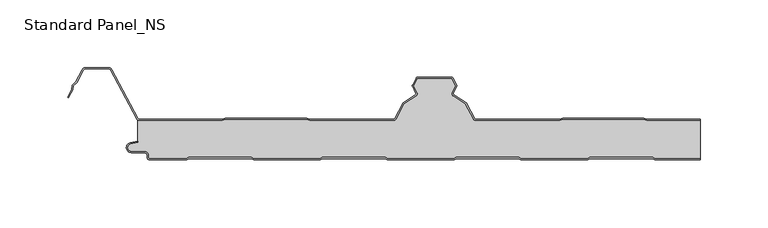
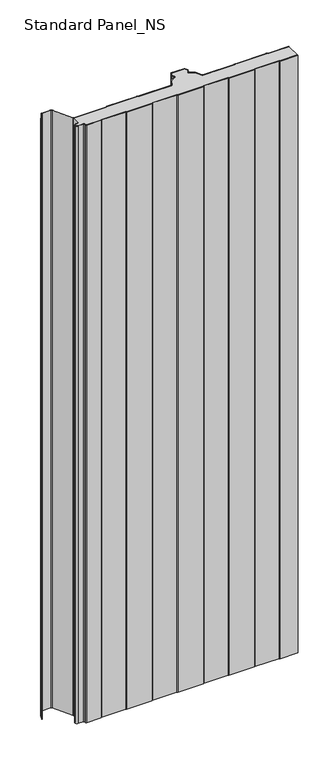
"""IFC4 building model written with IfcOpenShell, lengths in millimetres: proxy geometry, Standard Panel_NS."""

from ifc_helpers import new_model, si_unit, point, frame_2d, origin, origin_with_axes, place, context, project, spatial, polyline, circle_curve, trimmed, segment, composite_curve, outline, extrude, source, transform, mapped, element, save


def standard_panel_ns_0cbf2c68(model_context):
    return source(origin(), model_context, "Body", "SweptSolid", [
        extrude(outline(composite_curve([segment(polyline([(189.9831604, 0.0), (188.2086589, 1.0), (142.2089551, 1.0), (140.4769043, 0.0), (90.9831604, 0.0), (89.2086589, 1.0), (43.2089551, 1.0), (41.4769043, 0.0), (-8.0230957, 0.0), (-9.7551465, 1.0), (-55.7910449, 1.0), (-57.5230957, -0.013703), (-107.0168396, -0.013703), (-108.7913411, 0.986297), (-154.7910449, 0.986297), (-156.5230957, -0.013703), (-183.7507504, -0.013703)]), True, "CONTINUOUS"), segment(trimmed(circle_curve(frame_2d((-183.7507504, 2.036297)), 2.05), [point((-183.7507504, -0.013703))], [point((-185.8007504, 2.036297))], False, "CARTESIAN"), True, "CONTINUOUS"), segment(polyline([(-185.8007504, 2.036297), (-185.8007504, 3.436297)]), True, "CONTINUOUS"), segment(trimmed(circle_curve(frame_2d((-187.7507504, 3.436297)), 1.95), [point((-185.8007504, 3.436297))], [point((-187.7507504, 5.386297))], True, "CARTESIAN"), True, "CONTINUOUS"), segment(polyline([(-187.7507504, 5.386297), (-197.5507504, 5.386297)]), True, "CONTINUOUS"), segment(trimmed(circle_curve(frame_2d((-197.5507504, 9.036297)), 3.65), [point((-197.5507504, 5.386297))], [point((-198.3718217, 12.5927478))], False, "CARTESIAN"), True, "CONTINUOUS"), segment(polyline([(-198.3718217, 12.5927478), (-192.9286061, 13.8494131), (-192.7486452, 13.0699171), (-198.1918609, 11.8132517)]), True, "CONTINUOUS"), segment(trimmed(circle_curve(frame_2d((-197.5507504, 9.036297)), 2.85), [point((-198.1918609, 11.8132517))], [point((-197.5507504, 6.186297))], True, "CARTESIAN"), True, "CONTINUOUS"), segment(polyline([(-197.5507504, 6.186297), (-187.7507504, 6.186297)]), True, "CONTINUOUS"), segment(trimmed(circle_curve(frame_2d((-187.7507504, 3.436297)), 2.75), [point((-187.7507504, 6.186297))], [point((-185.0007504, 3.436297))], False, "CARTESIAN"), True, "CONTINUOUS"), segment(polyline([(-185.0007504, 3.436297), (-185.0007504, 2.036297)]), True, "CONTINUOUS"), segment(trimmed(circle_curve(frame_2d((-183.7507504, 2.036297)), 1.25), [point((-185.0007504, 2.036297))], [point((-183.7507504, 0.786297))], True, "CARTESIAN"), True, "CONTINUOUS"), segment(polyline([(-183.7507504, 0.786297), (-156.737455, 0.786297), (-155.0054042, 1.786297), (-108.5814431, 1.786297), (-106.8069416, 0.786297), (-57.737455, 0.786297), (-56.0054042, 1.8), (-9.5407871, 1.8), (-7.8087363, 0.8), (41.262545, 0.8), (42.9945958, 1.8), (89.4185569, 1.8), (91.1930584, 0.8), (140.262545, 0.8), (141.9945958, 1.8), (188.4185569, 1.8), (190.1930584, 0.8), (223.9042607, 0.8), (223.9042607, 0.0), (189.9831604, 0.0)]), True, "CONTINUOUS")], self_intersect=False)), origin_with_axes(), (0.0, 0.0, 1.0), 1219.2),
        extrude(outline(composite_curve([segment(polyline([(-191.3607504, 30.0), (-130.2226037, 30.0), (-127.8409703, 30.9683897), (-67.7367801, 30.9683897), (-65.3551468, 30.0), (-3.3730141, 30.0)]), True, "CONTINUOUS"), segment(trimmed(circle_curve(frame_2d((-3.3750906, 30.9999978)), 1.0), [point((-3.3730141, 30.0))], [point((-2.4921477, 30.5305175))], True, "CARTESIAN"), True, "CONTINUOUS"), segment(polyline([(-2.4921477, 30.5305175), (3.7317189, 42.2356263), (12.8940779, 48.0365524)]), True, "CONTINUOUS"), segment(trimmed(circle_curve(frame_2d((12.3591509, 48.8814507)), 1.0), [point((12.8940779, 48.0365524))], [point((13.2530523, 49.3297144))], True, "CARTESIAN"), True, "CONTINUOUS"), segment(polyline([(13.2530523, 49.3297144), (10.7022883, 54.4163001)]), True, "CONTINUOUS"), segment(trimmed(circle_curve(frame_2d((11.5961897, 54.8645637)), 1.0), [point((10.7022883, 54.4163001))], [point((10.7132468, 55.3340441))], False, "CARTESIAN"), True, "CONTINUOUS"), segment(polyline([(10.7132468, 55.3340441), (13.4449029, 60.4714183)]), True, "CONTINUOUS"), segment(trimmed(circle_curve(frame_2d((14.7693172, 59.7671978)), 1.5), [point((13.4449029, 60.4714183))], [point((14.7964212, 61.2669529))], False, "CARTESIAN"), True, "CONTINUOUS"), segment(polyline([(14.7964212, 61.2669529), (39.4219504, 61.2669529)]), True, "CONTINUOUS"), segment(trimmed(circle_curve(frame_2d((39.4219504, 59.7669529)), 1.5), [point((39.4219504, 61.2669529))], [point((40.7463788, 60.4711471))], False, "CARTESIAN"), True, "CONTINUOUS"), segment(polyline([(40.7463788, 60.4711471), (43.4835237, 55.3232034)]), True, "CONTINUOUS"), segment(trimmed(circle_curve(frame_2d((42.6005714, 54.8537406)), 1.0), [point((43.4835237, 55.3232034))], [point((43.4944639, 54.4054592))], False, "CARTESIAN"), True, "CONTINUOUS"), segment(polyline([(43.4944639, 54.4054592), (40.9489617, 49.329618)]), True, "CONTINUOUS"), segment(trimmed(circle_curve(frame_2d((41.8428542, 48.8813366)), 1.0), [point((40.9489617, 49.329618))], [point((41.3079104, 48.0364489))], True, "CARTESIAN"), True, "CONTINUOUS"), segment(polyline([(41.3079104, 48.0364489), (50.4534972, 42.2458871), (56.6825853, 30.5303966)]), True, "CONTINUOUS"), segment(trimmed(circle_curve(frame_2d((57.5653038, 30.9997352)), 0.9997353), [point((56.6825853, 30.5303966))], [point((57.5653038, 29.9999999))], True, "CARTESIAN"), True, "CONTINUOUS"), segment(polyline([(57.5653038, 29.9999999), (119.546444, 29.9999999), (121.9280844, 30.9683897), (182.032274, 30.9683897), (184.4139138, 30.0), (223.9042607, 30.0), (223.9042607, 29.2), (184.2574895, 29.2), (181.8758496, 30.1683897), (122.0845088, 30.1683897), (119.7028683, 29.2), (57.5653038, 29.2)]), True, "CONTINUOUS"), segment(trimmed(circle_curve(frame_2d((57.5653038, 30.9997352)), 1.7997352), [point((57.5653038, 29.2))], [point((55.9762236, 30.1548264))], False, "CARTESIAN"), True, "CONTINUOUS"), segment(polyline([(55.9762236, 30.1548264), (49.8465774, 41.6832892), (40.8799555, 47.3605387)]), True, "CONTINUOUS"), segment(trimmed(circle_curve(frame_2d((41.8428542, 48.8813366)), 1.8), [point((40.8799555, 47.3605387))], [point((40.2338477, 49.6882431))], False, "CARTESIAN"), True, "CONTINUOUS"), segment(polyline([(40.2338477, 49.6882431), (42.8256576, 54.8564238), (39.8425575, 60.4669529), (14.3485893, 60.4669529), (11.3711036, 54.8672514), (13.9681734, 49.6883253)]), True, "CONTINUOUS"), segment(trimmed(circle_curve(frame_2d((12.3591509, 48.8814507)), 1.8), [point((13.9681734, 49.6883253))], [point((13.3220194, 47.3606338))], False, "CARTESIAN"), True, "CONTINUOUS"), segment(polyline([(13.3220194, 47.3606338), (4.3386275, 41.6730163), (-1.7857934, 30.1549332)]), True, "CONTINUOUS"), segment(trimmed(circle_curve(frame_2d((-3.3750906, 30.9999978)), 1.8), [point((-1.7857934, 30.1549332))], [point((-3.3723047, 29.2))], False, "CARTESIAN"), True, "CONTINUOUS"), segment(polyline([(-3.3723047, 29.2), (-65.5115715, 29.2), (-67.8932049, 30.1683897), (-127.6845456, 30.1683897), (-130.0661789, 29.2), (-191.3607504, 29.2)]), True, "CONTINUOUS"), segment(trimmed(circle_curve(frame_2d((-191.3607504, 31.75)), 2.55), [point((-191.3607504, 29.2))], [point((-193.6122667, 30.5528475))], False, "CARTESIAN"), True, "CONTINUOUS"), segment(polyline([(-193.6122667, 30.5528475), (-212.7155013, 66.4808064)]), True, "CONTINUOUS"), segment(trimmed(circle_curve(frame_2d((-214.5255439, 65.5183897)), 2.05), [point((-212.7155013, 66.4808064))], [point((-214.5255439, 67.5683897))], True, "CARTESIAN"), True, "CONTINUOUS"), segment(polyline([(-214.5255439, 67.5683897), (-231.2663514, 67.5683897)]), True, "CONTINUOUS"), segment(trimmed(circle_curve(frame_2d((-231.2663514, 65.5183897)), 2.05), [point((-231.2663514, 67.5683897))], [point((-233.076394, 66.4808064))], True, "CARTESIAN"), True, "CONTINUOUS"), segment(polyline([(-233.076394, 66.4808064), (-238.0216911, 57.1800551), (-240.3428004, 54.9723908), (-240.9163332, 51.7360251), (-244.0441824, 45.8533964), (-244.7505404, 46.2289737), (-241.6820111, 52.000038), (-241.084649, 55.3708693), (-238.6671014, 57.6702585), (-233.782752, 66.8563836)]), True, "CONTINUOUS"), segment(trimmed(circle_curve(frame_2d((-231.2663514, 65.5183897)), 2.85), [point((-233.782752, 66.8563836))], [point((-231.2663514, 68.3683897))], False, "CARTESIAN"), True, "CONTINUOUS"), segment(polyline([(-231.2663514, 68.3683897), (-214.5255439, 68.3683897)]), True, "CONTINUOUS"), segment(trimmed(circle_curve(frame_2d((-214.5255439, 65.5183897)), 2.85), [point((-214.5255439, 68.3683897))], [point((-212.0091432, 66.8563836))], False, "CARTESIAN"), True, "CONTINUOUS"), segment(polyline([(-212.0091432, 66.8563836), (-192.9059087, 30.9284248)]), True, "CONTINUOUS"), segment(trimmed(circle_curve(frame_2d((-191.3607504, 31.75)), 1.75), [point((-192.9059087, 30.9284248))], [point((-191.3607504, 30.0))], True, "CARTESIAN"), True, "CONTINUOUS")], self_intersect=False)), origin_with_axes(), (0.0, 0.0, 1.0), 1219.2),
        extrude(outline(composite_curve([segment(polyline([(-191.3607504, 29.2), (-130.0661789, 29.2), (-127.6845456, 30.1683897), (-67.8932049, 30.1683897), (-65.5115715, 29.2), (-3.3723047, 29.2)]), True, "CONTINUOUS"), segment(trimmed(circle_curve(frame_2d((-3.3750906, 30.9999978)), 1.8), [point((-3.3723047, 29.2))], [point((-1.7857934, 30.1549332))], True, "CARTESIAN"), True, "CONTINUOUS"), segment(polyline([(-1.7857934, 30.1549332), (4.3386275, 41.6730163), (13.3220194, 47.3606338)]), True, "CONTINUOUS"), segment(trimmed(circle_curve(frame_2d((12.3591509, 48.8814507)), 1.8), [point((13.3220194, 47.3606338))], [point((13.9681734, 49.6883253))], True, "CARTESIAN"), True, "CONTINUOUS"), segment(polyline([(13.9681734, 49.6883253), (11.3711036, 54.8672514), (14.3485893, 60.4669529), (39.8425575, 60.4669529), (42.8256576, 54.8564238), (40.2338477, 49.6882431)]), True, "CONTINUOUS"), segment(trimmed(circle_curve(frame_2d((41.8428542, 48.8813366)), 1.8), [point((40.2338477, 49.6882431))], [point((40.8799555, 47.3605387))], True, "CARTESIAN"), True, "CONTINUOUS"), segment(polyline([(40.8799555, 47.3605387), (49.8465774, 41.6832892), (55.9762236, 30.1548264)]), True, "CONTINUOUS"), segment(trimmed(circle_curve(frame_2d((57.5653038, 30.9997352)), 1.7997352), [point((55.9762236, 30.1548264))], [point((57.5653038, 29.2))], True, "CARTESIAN"), True, "CONTINUOUS"), segment(polyline([(57.5653038, 29.2), (119.7028683, 29.2), (122.0845088, 30.1683897), (181.8758496, 30.1683897), (184.2574895, 29.2), (223.9042607, 29.2), (223.9042607, 0.8), (190.1930584, 0.8), (188.4185569, 1.8), (141.9945958, 1.8), (140.262545, 0.8), (91.1930584, 0.8), (89.4185569, 1.8), (42.9945958, 1.8), (41.262545, 0.8), (-7.8087363, 0.8), (-9.5407871, 1.8), (-56.0054042, 1.8), (-57.737455, 0.786297), (-106.8069416, 0.786297), (-108.5814431, 1.786297), (-155.0054042, 1.786297), (-156.737455, 0.786297), (-183.7507504, 0.786297)]), True, "CONTINUOUS"), segment(trimmed(circle_curve(frame_2d((-183.7507504, 2.036297)), 1.25), [point((-183.7507504, 0.786297))], [point((-185.0007504, 2.036297))], False, "CARTESIAN"), True, "CONTINUOUS"), segment(polyline([(-185.0007504, 2.036297), (-185.0007504, 3.436297)]), True, "CONTINUOUS"), segment(trimmed(circle_curve(frame_2d((-187.7507504, 3.436297)), 2.75), [point((-185.0007504, 3.436297))], [point((-187.7507504, 6.186297))], True, "CARTESIAN"), True, "CONTINUOUS"), segment(polyline([(-187.7507504, 6.186297), (-197.5507504, 6.186297)]), True, "CONTINUOUS"), segment(trimmed(circle_curve(frame_2d((-197.5507504, 9.036297)), 2.85), [point((-197.5507504, 6.186297))], [point((-198.1918609, 11.8132517))], False, "CARTESIAN"), True, "CONTINUOUS"), segment(polyline([(-198.1918609, 11.8132517), (-192.7486452, 13.0699171), (-192.7486452, 29.6107833)]), True, "CONTINUOUS"), segment(trimmed(circle_curve(frame_2d((-191.3607504, 31.75)), 2.55), [point((-192.7486452, 29.6107833))], [point((-191.3607504, 29.2))], True, "CARTESIAN"), True, "CONTINUOUS")], self_intersect=False)), origin_with_axes(), (0.0, 0.0, 1.0), 1219.2),
    ])


if __name__ == "__main__":
    model = new_model("IFC4")
    model_context = context("Model", 3, world=origin())
    ifc_project = project(units=[si_unit("LENGTHUNIT", "METRE", prefix="MILLI")], contexts=[model_context])
    site = spatial("IfcSite", under=ifc_project)
    building = spatial("IfcBuilding", under=site)
    placement = place(None, origin())
    standard_panel_ns_shape = standard_panel_ns_0cbf2c68(model_context)
    element("IfcBuildingElementProxy", 1, Name="Standard Panel_NS", ObjectType="Standard Panel_NS", at=placement, inside=building, context=model_context, shape_type="MappedRepresentation", body=[
        mapped(standard_panel_ns_shape, transform((0.0, 0.0, 0.0), x_axis=(1.0, 0.0, 0.0), y_axis=(0.0, 1.0, 0.0), z_axis=(0.0, 0.0, 1.0))),
    ])
    save(model, "model.ifc")
